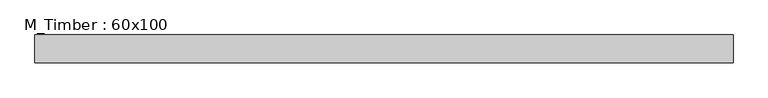
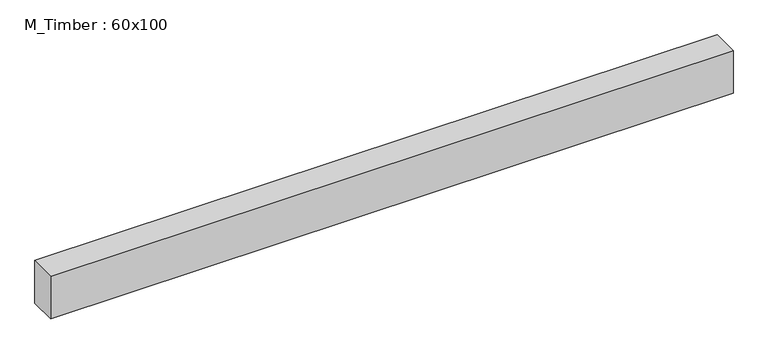
"""IFC4 building model written with IfcOpenShell, lengths in millimetres: beam geometry, M_Timber : 60x100."""

from ifc_helpers import new_model, si_unit, frame, origin, place, context, project, spatial, polyline, outline, extrude, source, transform, mapped, element, save


def m_timber_60x100_672a84d6(model_context):
    return source(origin(), model_context, "Body", "SweptSolid", [
        extrude(outline(polyline([(845.5924367, 30.0), (845.5924367, -30.0), (-659.1999547, -30.0), (-659.1999547, 30.0), (845.5924367, 30.0)])), frame((0.0, 0.0, -50.0), z_axis=(0.0, 0.0, 1.0), x_axis=(1.0, 0.0, 0.0)), (0.0, 0.0, 1.0), 100.0),
    ])


if __name__ == "__main__":
    model = new_model("IFC4")
    model_context = context("Model", 3, world=origin())
    ifc_project = project(units=[si_unit("LENGTHUNIT", "METRE", prefix="MILLI")], contexts=[model_context])
    site = spatial("IfcSite", under=ifc_project)
    building = spatial("IfcBuilding", under=site)
    placement = place(None, origin())
    m_timber_60x100_shape = m_timber_60x100_672a84d6(model_context)
    element("IfcBeam", 1, ObjectType="M_Timber : 60x100", at=placement, inside=building, context=model_context, shape_type="MappedRepresentation", body=[
        mapped(m_timber_60x100_shape, transform((0.0, 0.0, 0.0), x_axis=(1.0, 0.0, 0.0), y_axis=(0.0, 1.0, 0.0), z_axis=(0.0, 0.0, 1.0))),
    ])
    save(model, "model.ifc")
